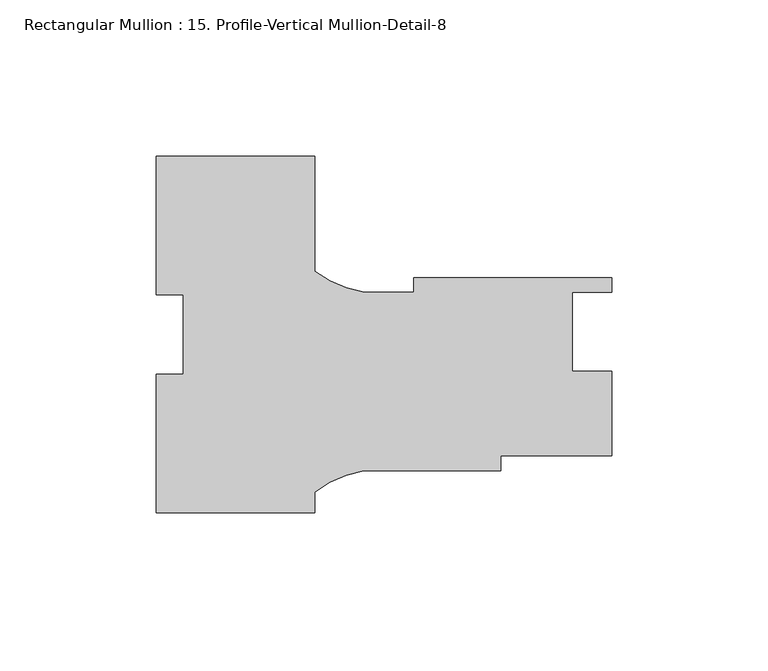
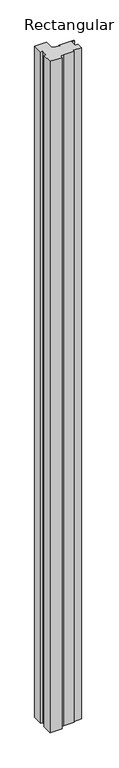
"""IFC4 building model written with IfcOpenShell, lengths in millimetres: member geometry, Rectangular Mullion : 15. Profile-Vertical Mullion-Detail-8."""

from ifc_helpers import new_model, si_unit, point, frame, frame_2d, origin, place, context, project, spatial, polyline, circle_curve, trimmed, segment, composite_curve, outline, extrude, source, transform, mapped, element, save


def rectangular_mullion_15_profile_vertical_mullion_detail_8_7c81faf0(model_context):
    return source(origin(), model_context, "Body", "SweptSolid", [
        extrude(outline(composite_curve([segment(polyline([(-25.4, 15.6584148), (-25.4, 60.0757191), (25.4, 60.0757191), (25.4, 23.2497542)]), True, "CONTINUOUS"), segment(trimmed(circle_curve(frame_2d((47.5843006, 52.7937913)), 36.945816), [point((25.4, 23.2497542))], [point((41.2187366, 16.4004826))], True, "CARTESIAN"), True, "CONTINUOUS"), segment(polyline([(41.2187366, 16.4004826), (57.15, 16.4004826), (57.15, 21.1629826), (120.65, 21.1629826), (120.65, 16.4639826), (107.95, 16.4639826), (107.95, -8.9360174), (120.65, -8.9360174), (120.65, -35.9870174), (85.0500517, -35.9870174), (85.0500517, -40.7495174), (41.2172861, -40.7495174)]), True, "CONTINUOUS"), segment(trimmed(circle_curve(frame_2d((47.5843006, -77.1425723)), 36.945816), [point((41.2172861, -40.7495174))], [point((25.4, -47.5985352))], True, "CARTESIAN"), True, "CONTINUOUS"), segment(polyline([(25.4, -47.5985352), (25.4, -54.2242809), (-25.4, -54.2242809), (-25.4, -9.8292835), (-16.66875, -9.8292835), (-16.66875, 15.6584148), (-25.4, 15.6584148)]), True, "CONTINUOUS")], self_intersect=False)), frame((0.0, 0.0, -3048.0), z_axis=(0.0, 0.0, 1.0), x_axis=(1.0, 0.0, 0.0)), (0.0, 0.0, 1.0), 3048.0),
    ])


if __name__ == "__main__":
    model = new_model("IFC4")
    model_context = context("Model", 3, world=origin())
    ifc_project = project(units=[si_unit("LENGTHUNIT", "METRE", prefix="MILLI")], contexts=[model_context])
    site = spatial("IfcSite", under=ifc_project)
    building = spatial("IfcBuilding", under=site)
    placement = place(None, origin())
    rectangular_mullion_15_profile_vertical_mullion_detail_8_shape = rectangular_mullion_15_profile_vertical_mullion_detail_8_7c81faf0(model_context)
    element("IfcMember", 1, ObjectType="Rectangular Mullion : 15. Profile-Vertical Mullion-Detail-8", at=placement, inside=building, context=model_context, shape_type="MappedRepresentation", body=[
        mapped(rectangular_mullion_15_profile_vertical_mullion_detail_8_shape, transform((0.0, 0.0, 0.0), x_axis=(1.0, 0.0, 0.0), y_axis=(0.0, 1.0, 0.0), z_axis=(0.0, 0.0, 1.0))),
    ])
    save(model, "model.ifc")
